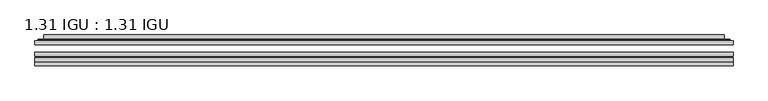
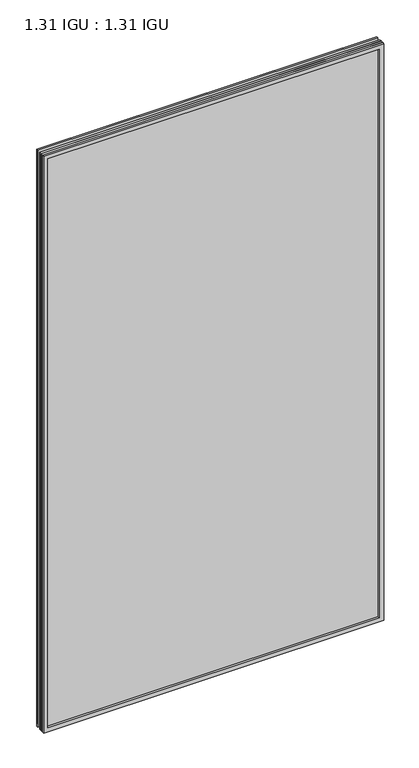
"""IFC4 building model written with IfcOpenShell, lengths in millimetres: plate geometry, 1.31 IGU : 1.31 IGU."""

import ifcopenshell
import ifcopenshell.guid

model = None  # the IFC model being written
_history = None  # IfcOwnerHistory: only IFC2X3 demands one
_inside = {}  # id of a spatial element -> (the spatial element, [elements in it])
_under = {}  # id of a project, library or spatial element -> (it, [spatial elements below it])
_declared = {}  # id of a project -> (the project, [libraries it declares])
_typed = {}  # id of a type object -> (the type object, [elements of that type])
_made_of = {}  # id of a material, layer set ... -> (it, [elements and type objects made of it])


def new_model(schema):
    """Start an empty IFC model of exactly this schema.

    Asked for "IFC4X3", IfcOpenShell would pick the latest addendum, in which some entities
    have other attributes; the version numbers below select the first issue.
    IFC2X3 requires an IfcOwnerHistory on every rooted entity: one is made here for all.
    """
    global model, _history
    if schema == "IFC4X3":
        model = ifcopenshell.file(schema_version=(4, 3, 0, 0))
    else:
        model = ifcopenshell.file(schema=schema)
    _inside.clear()
    _under.clear()
    _declared.clear()
    _typed.clear()
    _made_of.clear()
    _history = None
    if model.schema == "IFC2X3":
        org = make("IfcOrganization", Name="unknown")
        user = make(
            "IfcPersonAndOrganization",
            ThePerson=make("IfcPerson", FamilyName="unknown"),
            TheOrganization=org,
        )
        app = make(
            "IfcApplication",
            ApplicationDeveloper=org,
            Version="unknown",
            ApplicationFullName="unknown",
            ApplicationIdentifier="unknown",
        )
        _history = make(
            "IfcOwnerHistory",
            OwningUser=user,
            OwningApplication=app,
            ChangeAction="ADDED",
            CreationDate=0,
        )
    return model


def make(cls, **values):
    """One entity of the class cls with the attributes given. An attribute that is None is left unset."""
    return model.create_entity(
        cls, **{name: value for name, value in values.items() if value is not None}
    )


def rooted(cls, **values):
    """An entity with a GlobalId (a new one), such as an element, a storey or a relation."""
    return make(cls, GlobalId=ifcopenshell.guid.new(), OwnerHistory=_history, **values)


def si_unit(unit_type, name, prefix=None):
    """IfcSIUnit, for example si_unit("LENGTHUNIT", "METRE", prefix="MILLI")."""
    return make("IfcSIUnit", UnitType=unit_type, Prefix=prefix, Name=name)


def assignment(units):
    """IfcUnitAssignment: the units of a project."""
    return None if units is None else make("IfcUnitAssignment", Units=units)


def point(xyz):
    """IfcCartesianPoint."""
    return None if xyz is None else make("IfcCartesianPoint", Coordinates=xyz)


def direction(xyz):
    """IfcDirection."""
    return None if xyz is None else make("IfcDirection", DirectionRatios=xyz)


def frame(location, z_axis=None, x_axis=None):
    """IfcAxis2Placement3D, a coordinate frame: its origin and axes. An axis left out is left unset."""
    return make(
        "IfcAxis2Placement3D",
        Location=point(location),
        Axis=direction(z_axis),
        RefDirection=direction(x_axis),
    )


def origin():
    """The frame at (0, 0, 0) with its axes left unset."""
    return frame((0.0, 0.0, 0.0))


def place(relative_to, where):
    """IfcLocalPlacement: puts the frame where relative to a parent placement (None: the world)."""
    return make(
        "IfcLocalPlacement", PlacementRelTo=relative_to, RelativePlacement=where
    )


def context(
    kind, dimensions, precision=None, world=None, true_north=None, identifier=None
):
    """IfcGeometricRepresentationContext, for example the 3D "Model" context."""
    return make(
        "IfcGeometricRepresentationContext",
        ContextIdentifier=identifier,
        ContextType=kind,
        CoordinateSpaceDimension=dimensions,
        Precision=precision,
        WorldCoordinateSystem=world,
        TrueNorth=true_north,
    )


def project(units=None, contexts=None):
    """IfcProject with its units and contexts."""
    return rooted(
        "IfcProject",
        Name="project",
        RepresentationContexts=contexts,
        UnitsInContext=assignment(units),
    )


def spatial(cls, under=None, at=None, **own):
    """A site, building, storey or space (cls), placed at a placement, below another one or the project."""
    s = rooted(cls, ObjectPlacement=at, **own)
    if under is not None:
        _under.setdefault(under.id(), (under, []))[1].append(s)
    return s


def polyline(points):
    """IfcPolyline through the points."""
    return make("IfcPolyline", Points=[point(p) for p in points])


def ellipse_curve(where, semi_axis1, semi_axis2):
    """IfcEllipse in the frame where."""
    return make(
        "IfcEllipse", Position=where, SemiAxis1=semi_axis1, SemiAxis2=semi_axis2
    )


def outline(outer, holes=None, kind="AREA"):
    """IfcArbitraryClosedProfileDef: a profile drawn as a closed curve; with holes, ...WithVoids."""
    if holes is None:
        return make("IfcArbitraryClosedProfileDef", ProfileType=kind, OuterCurve=outer)
    return make(
        "IfcArbitraryProfileDefWithVoids",
        ProfileType=kind,
        OuterCurve=outer,
        InnerCurves=holes,
    )


def extrude(swept, where, along, depth):
    """IfcExtrudedAreaSolid: the profile swept, set in the frame where, extruded along a direction by depth."""
    return make(
        "IfcExtrudedAreaSolid",
        SweptArea=swept,
        Position=where,
        ExtrudedDirection=direction(along),
        Depth=depth,
    )


def faces_of(points, faces, orient=None, outer=None):
    """IfcFace entities. A face is a list of loops; a loop is a list of indices into points, from 0.

    orient and outer hold one flag for each loop. By default every Orientation is true, the
    first loop of a face is its IfcFaceOuterBound and the others are IfcFaceBound.
    """
    made = []
    for i, loops in enumerate(faces):
        bounds = []
        for j, loop in enumerate(loops):
            is_outer = j == 0 if outer is None else outer[i][j]
            bounds.append(
                make(
                    "IfcFaceOuterBound" if is_outer else "IfcFaceBound",
                    Bound=make("IfcPolyLoop", Polygon=[points[k] for k in loop]),
                    Orientation=True if orient is None else orient[i][j],
                )
            )
        made.append(make("IfcFace", Bounds=bounds))
    return made


def faceted_brep(points, faces, orient=None, outer=None, voids=None):
    """IfcFacetedBrep: a solid bounded by flat faces; with voids (closed shells), ...WithVoids."""
    shared = [point(p) for p in points]
    hull = make("IfcClosedShell", CfsFaces=faces_of(shared, faces, orient, outer))
    if voids is None:
        return make("IfcFacetedBrep", Outer=hull)
    return make(
        "IfcFacetedBrepWithVoids",
        Outer=hull,
        Voids=[
            make(cls, CfsFaces=faces_of(shared, fs, o, b)) for cls, fs, o, b in voids
        ],
    )


def shape(context_of_items, identifier, shape_type, items):
    """IfcShapeRepresentation: the items that make up one representation, for example the "Body"."""
    return make(
        "IfcShapeRepresentation",
        ContextOfItems=context_of_items,
        RepresentationIdentifier=identifier,
        RepresentationType=shape_type,
        Items=items,
    )


def source(mapping_origin, context_of_items, identifier, shape_type, items):
    """IfcRepresentationMap: a shape defined once, which mapped items show again and again."""
    return make(
        "IfcRepresentationMap",
        MappingOrigin=mapping_origin,
        MappedRepresentation=shape(context_of_items, identifier, shape_type, items),
    )


def transform(
    local_origin,
    x_axis=None,
    y_axis=None,
    z_axis=None,
    scale=None,
    scale2=None,
    scale3=None,
    uniform=True,
):
    """IfcCartesianTransformationOperator3D, or its non-uniform kind. x_axis, y_axis, z_axis: its Axis1, 2, 3."""
    if uniform:
        return make(
            "IfcCartesianTransformationOperator3D",
            Axis1=direction(x_axis),
            Axis2=direction(y_axis),
            LocalOrigin=point(local_origin),
            Scale=scale,
            Axis3=direction(z_axis),
        )
    return make(
        "IfcCartesianTransformationOperator3DnonUniform",
        Axis1=direction(x_axis),
        Axis2=direction(y_axis),
        LocalOrigin=point(local_origin),
        Scale=scale,
        Axis3=direction(z_axis),
        Scale2=scale2,
        Scale3=scale3,
    )


def mapped(mapping_source, mapping_target):
    """IfcMappedItem: shows the shape of a source again, moved by a transform."""
    return make(
        "IfcMappedItem", MappingSource=mapping_source, MappingTarget=mapping_target
    )


def made_of(thing, what):
    """Note that an element or type object is made of a material, layer set ...; save() writes the relation."""
    if what is not None:
        _made_of.setdefault(what.id(), (what, []))[1].append(thing)
    return thing


def element(
    cls,
    number,
    at=None,
    inside=None,
    cuts=None,
    type_object=None,
    material=None,
    context=None,
    identifier="Body",
    shape_type=None,
    held_by="IfcProductDefinitionShape",
    body=None,
    shapes=None,
    **own,
):
    """One element of the class cls, such as IfcWall. Its Tag is "e" and its number.

    at: its placement. inside: the storey or other place that contains it. cuts: it is an
    opening in that element (IfcRelVoidsElement). A single representation is given by context,
    identifier, shape_type and body (its items); several are given by shapes. held_by: the class
    of the entity that holds the representations. save() writes the other relations.
    """
    e = rooted(cls, Tag="e%d" % number, ObjectPlacement=at, **own)
    if body is not None:
        shapes = [shape(context, identifier, shape_type, body)]
    if shapes is not None:
        e.Representation = make(held_by, Representations=shapes)
    if inside is not None:
        _inside.setdefault(inside.id(), (inside, []))[1].append(e)
    if cuts is not None:
        rooted(
            "IfcRelVoidsElement", RelatingBuildingElement=cuts, RelatedOpeningElement=e
        )
    if type_object is not None:
        _typed.setdefault(type_object.id(), (type_object, []))[1].append(e)
    return made_of(e, material)


def aggregate(whole, parts):
    """IfcRelAggregates: a whole, such as a stair, and the parts it consists of."""
    return rooted("IfcRelAggregates", RelatingObject=whole, RelatedObjects=parts)


def save(model, path):
    """Write the relations noted so far, then the file.

    IfcRelAggregates (storeys below a building ...), IfcRelContainedInSpatialStructure (elements
    in a storey), IfcRelDefinesByType, IfcRelAssociatesMaterial and IfcRelDeclares: one each for
    every whole, place, type object, material and project.
    """
    for whole, parts in _under.values():
        aggregate(whole, parts)
    for where, things in _inside.values():
        rooted(
            "IfcRelContainedInSpatialStructure",
            RelatedElements=things,
            RelatingStructure=where,
        )
    for kind, things in _typed.values():
        rooted("IfcRelDefinesByType", RelatedObjects=things, RelatingType=kind)
    for what, things in _made_of.values():
        rooted("IfcRelAssociatesMaterial", RelatedObjects=things, RelatingMaterial=what)
    for by, libraries in _declared.values():
        rooted("IfcRelDeclares", RelatingContext=by, RelatedDefinitions=libraries)
    model.write(path)


def plane_surface(at):
    """IfcPlane: the flat surface through the origin of the frame at, square to its z axis."""
    return make("IfcPlane", Position=at)


def cylinder_surface(at, radius):
    """IfcCylindricalSurface: all points at the distance radius from the z axis of the frame at."""
    return make("IfcCylindricalSurface", Position=at, Radius=radius)


def advanced_brep(points, edges, surfaces, faces):
    """IfcAdvancedBrep: a solid bounded by faces that lie on surfaces and meet in shared edges.

    An edge is (start, end): straight between two places in points (the first is 0);
    or (start, end, curve); or (start, end, curve, False) where it runs against its curve.
    A face is (place in surfaces, loops), or (place, loops, False) where it looks against
    its surface's normal. A loop lists edges by number (the first is 1), with a minus sign
    where the edge is run from its end to its start. The first loop is the outer one.
    """
    corners = [point(p) for p in points]
    vertices = [make("IfcVertexPoint", VertexGeometry=c) for c in corners]
    made = []
    for start, end, *more in edges:
        made.append(
            make(
                "IfcEdgeCurve",
                EdgeStart=vertices[start],
                EdgeEnd=vertices[end],
                EdgeGeometry=more[0] if more else make("IfcPolyline", Points=[corners[start], corners[end]]),
                SameSense=more[1] if len(more) > 1 else True,
            )
        )
    hull = []
    for where, loops, *sense in faces:
        bounds = []
        for j, loop in enumerate(loops):
            ring = [make("IfcOrientedEdge", EdgeElement=made[abs(k) - 1], Orientation=k > 0) for k in loop]
            bounds.append(
                make(
                    "IfcFaceOuterBound" if j == 0 else "IfcFaceBound",
                    Bound=make("IfcEdgeLoop", EdgeList=ring),
                    Orientation=True,
                )
            )
        hull.append(make("IfcAdvancedFace", Bounds=bounds, FaceSurface=surfaces[where], SameSense=sense[0] if sense else True))
    return make("IfcAdvancedBrep", Outer=make("IfcClosedShell", CfsFaces=hull))


def plate_1_31_igu_1_31_igu_036eeaed(model_context):
    return source(origin(), model_context, "Body", "SolidModel", [
        extrude(outline(polyline([(560.401675, -63.59525), (560.401675, -69.94525), (-560.3875, -69.94525), (-560.3875, -63.59525), (560.401675, -63.59525)])), frame((0.0, 0.0, -14.2875), z_axis=(0.0, 0.0, 1.0), x_axis=(1.0, 0.0, 0.0)), (0.0, 0.0, 1.0), 2009.8015278),
        extrude(outline(polyline([(-560.3875, -78.58125), (-560.3875, -72.230745), (560.401675, -72.230745), (560.401675, -78.58125), (-560.3875, -78.58125)])), frame((0.0, 0.0, -14.2875), z_axis=(0.0, 0.0, 1.0), x_axis=(1.0, 0.0, 0.0)), (0.0, 0.0, 1.0), 2009.8015278),
        extrude(outline(polyline([(560.401675, -45.25645), (560.401675, -51.60645), (-560.3875, -51.60645), (-560.3875, -45.25645), (560.401675, -45.25645)])), frame((0.0, 0.0, -14.2875), z_axis=(0.0, 0.0, 1.0), x_axis=(1.0, 0.0, 0.0)), (0.0, 0.0, 1.0), 2009.8015278),
        faceted_brep([(-560.4002, -84.93125, 1995.5229299), (-560.4002, -78.58125, 1995.5229299), (-560.4002, -78.58125, -14.3002), (-560.4002, -84.93125, -14.3002), (560.4002, -78.58125, -14.3002), (560.4002, -84.93125, -14.3002), (560.4002, -78.58125, 1995.5229299), (560.4002, -84.93125, 1995.5229299), (-545.2022559, -78.58125, 0.8977441), (545.2022559, -78.58125, 0.8977441), (545.2022559, -78.58125, 1980.3249858), (-545.2022559, -78.58125, 1980.3249858), (-546.0946902, -84.93125, 1981.2174201), (546.0946902, -84.93125, 1981.2174201), (546.0946902, -84.93125, 0.0053098), (-546.0946902, -84.93125, 0.0053098)], [[[0, 1, 2, 3]], [[3, 2, 4, 5]], [[5, 4, 6, 7]], [[1, 6, 4, 2], [8, 9, 10, 11]], [[7, 6, 1, 0]], [[3, 5, 7, 0], [12, 13, 14, 15]], [[11, 12, 15, 8]], [[8, 15, 14, 9]], [[9, 14, 13, 10]], [[10, 13, 12, 11]]]),
        advanced_brep(
        [(-553.146219, -45.25645, 1988.2689489), (-555.5004244, -43.2667833, 1990.6231543), (-555.5004244, -43.2667833, -9.4004244), (-553.146219, -45.25645, -7.046219), (-544.0718939, -41.416413, 1979.1946238), (-539.1370621, -45.25645, 1974.2597919), (-539.1370621, -45.25645, 6.9629379), (-544.0718939, -41.416413, 2.0281061), (-545.1039217, -36.0191819, 1980.2266515), (-545.1039217, -36.0191819, 0.9960783), (-546.0945784, -35.6202069, 1981.2173083), (-546.0945784, -35.6202069, 0.0054216), (-546.0945784, -42.08145, 1981.2173083), (-546.0945784, -42.08145, 0.0054216), (-554.4986349, -42.08145, 1989.6213648), (-554.4986349, -42.08145, -8.3986349), (555.5004244, -43.2667833, -9.4004244), (553.146219, -45.25645, -7.046219), (539.1370621, -45.25645, 6.9629379), (544.0718939, -41.416413, 2.0281061), (545.1039217, -36.0191819, 0.9960783), (546.0945784, -35.6202069, 0.0054216), (546.0945784, -42.08145, 0.0054216), (554.4986349, -42.08145, -8.3986349), (555.5004244, -43.2667833, 1990.6231543), (553.146219, -45.25645, 1988.2689489), (539.1370621, -45.25645, 1974.2597919), (544.0718939, -41.416413, 1979.1946238), (545.1039217, -36.0191819, 1980.2266515), (546.0945784, -35.6202069, 1981.2173083), (546.0945784, -42.08145, 1981.2173083), (554.4986349, -42.08145, 1989.6213648)],
        [
            (0, 1, ellipse_curve(frame((-553.146219, -42.86885, 1988.2689489), z_axis=(-0.7071067811865475, 0.0, -0.7071067811865475), x_axis=(-0.7071067811865474, 0.0, 0.7071067811865476)), 3.3765763, 2.3876)),
            (1, 2),
            (2, 3, ellipse_curve(frame((-553.146219, -42.86885, -7.046219), z_axis=(-0.7071067811865475, 0.0, 0.7071067811865475), x_axis=(0.7071067811865474, 0.0, 0.7071067811865476)), 3.3765763, 2.3876)),
            (3, 0),
            (4, 5),
            (5, 6),
            (6, 7),
            (7, 4),
            (8, 4),
            (7, 9),
            (9, 8),
            (10, 8, ellipse_curve(frame((-545.7276219, -36.1384423, 1980.8503517), z_axis=(-0.7071067811865475, 0.0, -0.7071067811865475), x_axis=(-0.7071067811865474, 0.0, 0.7071067811865476)), 0.8980256, 0.635)),
            (9, 11, ellipse_curve(frame((-545.7276219, -36.1384423, 0.3723781), z_axis=(-0.7071067811865475, 0.0, 0.7071067811865475), x_axis=(0.7071067811865474, 0.0, 0.7071067811865476)), 0.8980256, 0.635)),
            (11, 10),
            (12, 10),
            (11, 13),
            (13, 12),
            (1, 14, ellipse_curve(frame((-554.4986349, -43.09745, 1989.6213648), z_axis=(-0.7071067811865475, 0.0, -0.7071067811865475), x_axis=(-0.7071067811865474, 0.0, 0.7071067811865476)), 1.436841, 1.016)),
            (14, 15),
            (15, 2, ellipse_curve(frame((-554.4986349, -43.09745, -8.3986349), z_axis=(-0.7071067811865475, 0.0, 0.7071067811865475), x_axis=(0.7071067811865474, 0.0, 0.7071067811865476)), 1.436841, 1.016)),
            (2, 16),
            (16, 17, ellipse_curve(frame((553.146219, -42.86885, -7.046219), z_axis=(-0.7071067811865475, 0.0, -0.7071067811865475), x_axis=(-0.7071067811865476, 0.0, 0.7071067811865474)), 3.3765763, 2.3876)),
            (17, 3),
            (6, 18),
            (18, 19),
            (19, 7),
            (19, 20),
            (20, 9),
            (20, 21, ellipse_curve(frame((545.7276219, -36.1384423, 0.3723781), z_axis=(-0.7071067811865475, 0.0, -0.7071067811865475), x_axis=(-0.7071067811865476, 0.0, 0.7071067811865474)), 0.8980256, 0.635)),
            (21, 11),
            (21, 22),
            (22, 13),
            (15, 23),
            (23, 16, ellipse_curve(frame((554.4986349, -43.09745, -8.3986349), z_axis=(-0.7071067811865475, 0.0, -0.7071067811865475), x_axis=(-0.7071067811865476, 0.0, 0.7071067811865474)), 1.436841, 1.016)),
            (16, 24),
            (24, 25, ellipse_curve(frame((553.146219, -42.86885, 1988.2689489), z_axis=(0.7071067811865475, 0.0, -0.7071067811865475), x_axis=(-0.7071067811865474, 0.0, -0.7071067811865476)), 3.3765763, 2.3876)),
            (25, 17),
            (18, 26),
            (26, 27),
            (27, 19),
            (27, 28),
            (28, 20),
            (28, 29, ellipse_curve(frame((545.7276219, -36.1384423, 1980.8503517), z_axis=(0.7071067811865475, 0.0, -0.7071067811865475), x_axis=(-0.7071067811865474, 0.0, -0.7071067811865476)), 0.8980256, 0.635)),
            (29, 21),
            (29, 30),
            (30, 22),
            (23, 31),
            (31, 24, ellipse_curve(frame((554.4986349, -43.09745, 1989.6213648), z_axis=(0.7071067811865475, 0.0, -0.7071067811865475), x_axis=(-0.7071067811865474, 0.0, -0.7071067811865476)), 1.436841, 1.016)),
            (24, 1),
            (0, 25),
            (5, 26),
            (4, 27),
            (8, 28),
            (10, 29),
            (12, 30),
            (14, 31),
        ],
        [
            cylinder_surface(frame((-553.146219, -42.86885, 2012.9727299), z_axis=(0.0, 0.0, 1.0), x_axis=(-1.0, 0.0, 0.0)), 2.3876),
            plane_surface(frame((-539.1370621, -45.25645, 1974.2597919), z_axis=(0.6141233906514794, 0.7892100234124821, 0.0), x_axis=(0.0, 0.0, -1.0))),
            plane_surface(frame((-544.0718939, -41.416413, 1979.1946238), z_axis=(0.9822050625507729, 0.18781164793386076, 0.0), x_axis=(0.0, 0.0, -1.0))),
            cylinder_surface(frame((-545.7276219, -36.1384423, 2012.9727299), z_axis=(0.0, 0.0, 1.0), x_axis=(-1.0, 0.0, 0.0)), 0.635),
            plane_surface(frame((-546.0945784, -35.6202069, 1981.2173083), z_axis=(-1.0, 0.0, 0.0), x_axis=(0.0, 0.0, -1.0))),
            cylinder_surface(frame((-554.4986349, -43.09745, 2012.9727299), z_axis=(0.0, 0.0, 1.0), x_axis=(-1.0, 0.0, 0.0)), 1.016),
            cylinder_surface(frame((-577.85, -42.86885, -7.046219), z_axis=(-1.0, 0.0, 0.0), x_axis=(0.0, 0.0, -1.0)), 2.3876),
            plane_surface(frame((-539.1370621, -45.25645, 6.9629379), z_axis=(0.0, 0.7892100234124841, 0.6141233906514768), x_axis=(1.0, 0.0, 0.0))),
            plane_surface(frame((-544.0718939, -41.416413, 2.0281061), z_axis=(0.0, 0.18781164793386393, 0.9822050625507723), x_axis=(1.0, 0.0, 0.0))),
            cylinder_surface(frame((-577.85, -36.1384423, 0.3723781), z_axis=(-1.0, 0.0, 0.0), x_axis=(0.0, 0.0, -1.0)), 0.635),
            plane_surface(frame((-546.0945784, -35.6202069, 0.0054216), z_axis=(0.0, 0.0, -1.0), x_axis=(1.0, 0.0, 0.0))),
            cylinder_surface(frame((-577.85, -43.09745, -8.3986349), z_axis=(-1.0, 0.0, 0.0), x_axis=(0.0, 0.0, -1.0)), 1.016),
            cylinder_surface(frame((553.146219, -42.86885, -31.75), z_axis=(0.0, 0.0, -1.0), x_axis=(1.0, 0.0, 0.0)), 2.3876),
            plane_surface(frame((539.1370621, -45.25645, 6.9629379), z_axis=(-0.6141233906514743, 0.7892100234124861, 0.0), x_axis=(0.0, 0.0, 1.0))),
            plane_surface(frame((544.0718939, -41.416413, 2.0281061), z_axis=(-0.9822050625507718, 0.1878116479338671, 0.0), x_axis=(0.0, 0.0, 1.0))),
            cylinder_surface(frame((545.7276219, -36.1384423, -31.75), z_axis=(0.0, 0.0, -1.0), x_axis=(1.0, 0.0, 0.0)), 0.635),
            plane_surface(frame((546.0945784, -35.6202069, 0.0054216), z_axis=(1.0, 0.0, 0.0), x_axis=(0.0, 0.0, 1.0))),
            cylinder_surface(frame((554.4986349, -43.09745, -31.75), z_axis=(0.0, 0.0, -1.0), x_axis=(1.0, 0.0, 0.0)), 1.016),
            cylinder_surface(frame((577.85, -42.86885, 1988.2689489), z_axis=(1.0, 0.0, 0.0), x_axis=(0.0, 0.0, 1.0)), 2.3876),
            plane_surface(frame((553.146219, -45.25645, 1988.2689489), z_axis=(0.0, -1.0, 0.0), x_axis=(-1.0, 0.0, 0.0))),
            plane_surface(frame((539.1370621, -45.25645, 1974.2597919), z_axis=(0.0, 0.7892100234124841, -0.6141233906514768), x_axis=(-1.0, 0.0, 0.0))),
            plane_surface(frame((544.0718939, -41.416413, 1979.1946238), z_axis=(0.0, 0.18781164793386393, -0.9822050625507723), x_axis=(-1.0, 0.0, 0.0))),
            cylinder_surface(frame((577.85, -36.1384423, 1980.8503517), z_axis=(1.0, 0.0, 0.0), x_axis=(0.0, 0.0, 1.0)), 0.635),
            plane_surface(frame((546.0945784, -35.6202069, 1981.2173083), z_axis=(0.0, 0.0, 1.0), x_axis=(-1.0, 0.0, 0.0))),
            plane_surface(frame((546.0945784, -42.08145, 1981.2173083), z_axis=(0.0, 1.0, 0.0), x_axis=(-1.0, 0.0, 0.0))),
            cylinder_surface(frame((577.85, -43.09745, 1989.6213648), z_axis=(1.0, 0.0, 0.0), x_axis=(0.0, 0.0, 1.0)), 1.016),
        ],
        [
            (0, [[1, 2, 3, 4]]),
            (1, [[5, 6, 7, 8]]),
            (2, [[9, -8, 10, 11]]),
            (3, [[12, -11, 13, 14]]),
            (4, [[15, -14, 16, 17]]),
            (5, [[18, 19, 20, -2]]),
            (6, [[-3, 21, 22, 23]]),
            (7, [[-7, 24, 25, 26]]),
            (8, [[-10, -26, 27, 28]]),
            (9, [[-13, -28, 29, 30]]),
            (10, [[-16, -30, 31, 32]]),
            (11, [[-20, 33, 34, -21]]),
            (12, [[-22, 35, 36, 37]]),
            (13, [[-25, 38, 39, 40]]),
            (14, [[-27, -40, 41, 42]]),
            (15, [[-29, -42, 43, 44]]),
            (16, [[-31, -44, 45, 46]]),
            (17, [[-34, 47, 48, -35]]),
            (18, [[-36, 49, -1, 50]]),
            (19, [[-23, -37, -50, -4], [51, -38, -24, -6]]),
            (20, [[-39, -51, -5, 52]]),
            (21, [[-41, -52, -9, 53]]),
            (22, [[-43, -53, -12, 54]]),
            (23, [[-45, -54, -15, 55]]),
            (24, [[56, -47, -33, -19], [-32, -46, -55, -17]]),
            (25, [[-48, -56, -18, -49]]),
        ],
    ),
    ])


if __name__ == "__main__":
    model = new_model("IFC4")
    model_context = context("Model", 3, world=origin())
    ifc_project = project(units=[si_unit("LENGTHUNIT", "METRE", prefix="MILLI")], contexts=[model_context])
    site = spatial("IfcSite", under=ifc_project)
    building = spatial("IfcBuilding", under=site)
    placement = place(None, origin())
    plate_1_31_igu_1_31_igu_shape = plate_1_31_igu_1_31_igu_036eeaed(model_context)
    element("IfcPlate", 1, ObjectType="1.31 IGU : 1.31 IGU", at=placement, inside=building, context=model_context, shape_type="MappedRepresentation", body=[
        mapped(plate_1_31_igu_1_31_igu_shape, transform((0.0, 0.0, 0.0), x_axis=(1.0, 0.0, 0.0), y_axis=(0.0, 1.0, 0.0), z_axis=(0.0, 0.0, 1.0))),
    ])
    save(model, "model.ifc")
